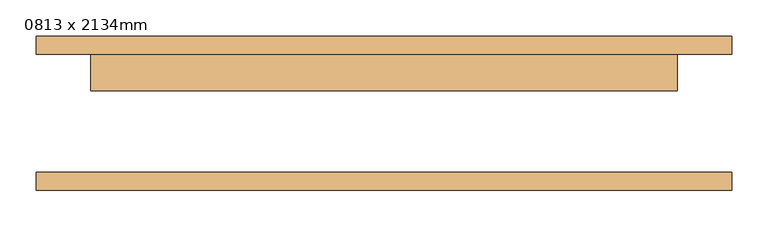
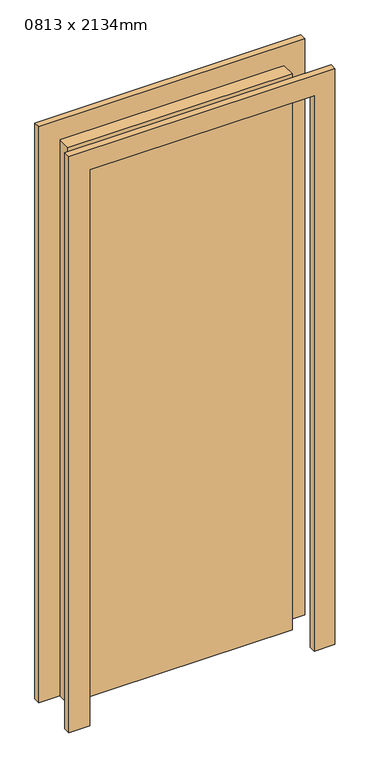
"""IFC4 building model written with IfcOpenShell, lengths in millimetres: door geometry, 0813 x 2134mm."""

import ifcopenshell
import ifcopenshell.guid

model = None  # the IFC model being written
_history = None  # IfcOwnerHistory: only IFC2X3 demands one
_inside = {}  # id of a spatial element -> (the spatial element, [elements in it])
_under = {}  # id of a project, library or spatial element -> (it, [spatial elements below it])
_declared = {}  # id of a project -> (the project, [libraries it declares])
_typed = {}  # id of a type object -> (the type object, [elements of that type])
_made_of = {}  # id of a material, layer set ... -> (it, [elements and type objects made of it])


def new_model(schema):
    """Start an empty IFC model of exactly this schema.

    Asked for "IFC4X3", IfcOpenShell would pick the latest addendum, in which some entities
    have other attributes; the version numbers below select the first issue.
    IFC2X3 requires an IfcOwnerHistory on every rooted entity: one is made here for all.
    """
    global model, _history
    if schema == "IFC4X3":
        model = ifcopenshell.file(schema_version=(4, 3, 0, 0))
    else:
        model = ifcopenshell.file(schema=schema)
    _inside.clear()
    _under.clear()
    _declared.clear()
    _typed.clear()
    _made_of.clear()
    _history = None
    if model.schema == "IFC2X3":
        org = make("IfcOrganization", Name="unknown")
        user = make(
            "IfcPersonAndOrganization",
            ThePerson=make("IfcPerson", FamilyName="unknown"),
            TheOrganization=org,
        )
        app = make(
            "IfcApplication",
            ApplicationDeveloper=org,
            Version="unknown",
            ApplicationFullName="unknown",
            ApplicationIdentifier="unknown",
        )
        _history = make(
            "IfcOwnerHistory",
            OwningUser=user,
            OwningApplication=app,
            ChangeAction="ADDED",
            CreationDate=0,
        )
    return model


def make(cls, **values):
    """One entity of the class cls with the attributes given. An attribute that is None is left unset."""
    return model.create_entity(
        cls, **{name: value for name, value in values.items() if value is not None}
    )


def rooted(cls, **values):
    """An entity with a GlobalId (a new one), such as an element, a storey or a relation."""
    return make(cls, GlobalId=ifcopenshell.guid.new(), OwnerHistory=_history, **values)


def si_unit(unit_type, name, prefix=None):
    """IfcSIUnit, for example si_unit("LENGTHUNIT", "METRE", prefix="MILLI")."""
    return make("IfcSIUnit", UnitType=unit_type, Prefix=prefix, Name=name)


def assignment(units):
    """IfcUnitAssignment: the units of a project."""
    return None if units is None else make("IfcUnitAssignment", Units=units)


def point(xyz):
    """IfcCartesianPoint."""
    return None if xyz is None else make("IfcCartesianPoint", Coordinates=xyz)


def direction(xyz):
    """IfcDirection."""
    return None if xyz is None else make("IfcDirection", DirectionRatios=xyz)


def frame(location, z_axis=None, x_axis=None):
    """IfcAxis2Placement3D, a coordinate frame: its origin and axes. An axis left out is left unset."""
    return make(
        "IfcAxis2Placement3D",
        Location=point(location),
        Axis=direction(z_axis),
        RefDirection=direction(x_axis),
    )


def origin():
    """The frame at (0, 0, 0) with its axes left unset."""
    return frame((0.0, 0.0, 0.0))


def origin_with_axes():
    """The frame at (0, 0, 0) with the z axis (0, 0, 1) and the x axis (1, 0, 0) written out."""
    return frame((0.0, 0.0, 0.0), z_axis=(0.0, 0.0, 1.0), x_axis=(1.0, 0.0, 0.0))


def place(relative_to, where):
    """IfcLocalPlacement: puts the frame where relative to a parent placement (None: the world)."""
    return make(
        "IfcLocalPlacement", PlacementRelTo=relative_to, RelativePlacement=where
    )


def context(
    kind, dimensions, precision=None, world=None, true_north=None, identifier=None
):
    """IfcGeometricRepresentationContext, for example the 3D "Model" context."""
    return make(
        "IfcGeometricRepresentationContext",
        ContextIdentifier=identifier,
        ContextType=kind,
        CoordinateSpaceDimension=dimensions,
        Precision=precision,
        WorldCoordinateSystem=world,
        TrueNorth=true_north,
    )


def project(units=None, contexts=None):
    """IfcProject with its units and contexts."""
    return rooted(
        "IfcProject",
        Name="project",
        RepresentationContexts=contexts,
        UnitsInContext=assignment(units),
    )


def spatial(cls, under=None, at=None, **own):
    """A site, building, storey or space (cls), placed at a placement, below another one or the project."""
    s = rooted(cls, ObjectPlacement=at, **own)
    if under is not None:
        _under.setdefault(under.id(), (under, []))[1].append(s)
    return s


def polyline(points):
    """IfcPolyline through the points."""
    return make("IfcPolyline", Points=[point(p) for p in points])


def outline(outer, holes=None, kind="AREA"):
    """IfcArbitraryClosedProfileDef: a profile drawn as a closed curve; with holes, ...WithVoids."""
    if holes is None:
        return make("IfcArbitraryClosedProfileDef", ProfileType=kind, OuterCurve=outer)
    return make(
        "IfcArbitraryProfileDefWithVoids",
        ProfileType=kind,
        OuterCurve=outer,
        InnerCurves=holes,
    )


def extrude(swept, where, along, depth):
    """IfcExtrudedAreaSolid: the profile swept, set in the frame where, extruded along a direction by depth."""
    return make(
        "IfcExtrudedAreaSolid",
        SweptArea=swept,
        Position=where,
        ExtrudedDirection=direction(along),
        Depth=depth,
    )


def shape(context_of_items, identifier, shape_type, items):
    """IfcShapeRepresentation: the items that make up one representation, for example the "Body"."""
    return make(
        "IfcShapeRepresentation",
        ContextOfItems=context_of_items,
        RepresentationIdentifier=identifier,
        RepresentationType=shape_type,
        Items=items,
    )


def source(mapping_origin, context_of_items, identifier, shape_type, items):
    """IfcRepresentationMap: a shape defined once, which mapped items show again and again."""
    return make(
        "IfcRepresentationMap",
        MappingOrigin=mapping_origin,
        MappedRepresentation=shape(context_of_items, identifier, shape_type, items),
    )


def transform(
    local_origin,
    x_axis=None,
    y_axis=None,
    z_axis=None,
    scale=None,
    scale2=None,
    scale3=None,
    uniform=True,
):
    """IfcCartesianTransformationOperator3D, or its non-uniform kind. x_axis, y_axis, z_axis: its Axis1, 2, 3."""
    if uniform:
        return make(
            "IfcCartesianTransformationOperator3D",
            Axis1=direction(x_axis),
            Axis2=direction(y_axis),
            LocalOrigin=point(local_origin),
            Scale=scale,
            Axis3=direction(z_axis),
        )
    return make(
        "IfcCartesianTransformationOperator3DnonUniform",
        Axis1=direction(x_axis),
        Axis2=direction(y_axis),
        LocalOrigin=point(local_origin),
        Scale=scale,
        Axis3=direction(z_axis),
        Scale2=scale2,
        Scale3=scale3,
    )


def mapped(mapping_source, mapping_target):
    """IfcMappedItem: shows the shape of a source again, moved by a transform."""
    return make(
        "IfcMappedItem", MappingSource=mapping_source, MappingTarget=mapping_target
    )


def made_of(thing, what):
    """Note that an element or type object is made of a material, layer set ...; save() writes the relation."""
    if what is not None:
        _made_of.setdefault(what.id(), (what, []))[1].append(thing)
    return thing


def element(
    cls,
    number,
    at=None,
    inside=None,
    cuts=None,
    type_object=None,
    material=None,
    context=None,
    identifier="Body",
    shape_type=None,
    held_by="IfcProductDefinitionShape",
    body=None,
    shapes=None,
    **own,
):
    """One element of the class cls, such as IfcWall. Its Tag is "e" and its number.

    at: its placement. inside: the storey or other place that contains it. cuts: it is an
    opening in that element (IfcRelVoidsElement). A single representation is given by context,
    identifier, shape_type and body (its items); several are given by shapes. held_by: the class
    of the entity that holds the representations. save() writes the other relations.
    """
    e = rooted(cls, Tag="e%d" % number, ObjectPlacement=at, **own)
    if body is not None:
        shapes = [shape(context, identifier, shape_type, body)]
    if shapes is not None:
        e.Representation = make(held_by, Representations=shapes)
    if inside is not None:
        _inside.setdefault(inside.id(), (inside, []))[1].append(e)
    if cuts is not None:
        rooted(
            "IfcRelVoidsElement", RelatingBuildingElement=cuts, RelatedOpeningElement=e
        )
    if type_object is not None:
        _typed.setdefault(type_object.id(), (type_object, []))[1].append(e)
    return made_of(e, material)


def aggregate(whole, parts):
    """IfcRelAggregates: a whole, such as a stair, and the parts it consists of."""
    return rooted("IfcRelAggregates", RelatingObject=whole, RelatedObjects=parts)


def save(model, path):
    """Write the relations noted so far, then the file.

    IfcRelAggregates (storeys below a building ...), IfcRelContainedInSpatialStructure (elements
    in a storey), IfcRelDefinesByType, IfcRelAssociatesMaterial and IfcRelDeclares: one each for
    every whole, place, type object, material and project.
    """
    for whole, parts in _under.values():
        aggregate(whole, parts)
    for where, things in _inside.values():
        rooted(
            "IfcRelContainedInSpatialStructure",
            RelatedElements=things,
            RelatingStructure=where,
        )
    for kind, things in _typed.values():
        rooted("IfcRelDefinesByType", RelatedObjects=things, RelatingType=kind)
    for what, things in _made_of.values():
        rooted("IfcRelAssociatesMaterial", RelatedObjects=things, RelatingMaterial=what)
    for by, libraries in _declared.values():
        rooted("IfcRelDeclares", RelatingContext=by, RelatedDefinitions=libraries)
    model.write(path)


def door_0813_x_2134mm_a04f147b(model_context):
    return source(origin(), model_context, "Body", "SweptSolid", [
        extrude(outline(polyline([(2210.0, -482.5), (0.0, -482.5), (0.0, -406.5), (2134.0, -406.5), (2134.0, 406.5), (0.0, 406.5), (0.0, 482.5), (2210.0, 482.5), (2210.0, -482.5)])), frame((0.0, 82.0, 0.0), z_axis=(0.0, 1.0, 0.0), x_axis=(0.0, 0.0, 1.0)), (0.0, 0.0, 1.0), 25.0),
        extrude(outline(polyline([(2210.0, 482.5), (2210.0, -482.5), (0.0, -482.5), (0.0, -406.5), (2134.0, -406.5), (2134.0, 406.5), (0.0, 406.5), (0.0, 482.5), (2210.0, 482.5)])), frame((0.0, -107.0, 0.0), z_axis=(0.0, 1.0, 0.0), x_axis=(0.0, 0.0, 1.0)), (0.0, 0.0, 1.0), 25.0),
        extrude(outline(polyline([(406.5, 31.0), (-406.5, 31.0), (-406.5, 82.0), (406.5, 82.0), (406.5, 31.0)])), origin_with_axes(), (0.0, 0.0, 1.0), 2134.0),
    ])


if __name__ == "__main__":
    model = new_model("IFC4")
    model_context = context("Model", 3, world=origin())
    ifc_project = project(units=[si_unit("LENGTHUNIT", "METRE", prefix="MILLI")], contexts=[model_context])
    site = spatial("IfcSite", under=ifc_project)
    building = spatial("IfcBuilding", under=site)
    placement = place(None, origin())
    door_0813_x_2134mm_shape = door_0813_x_2134mm_a04f147b(model_context)
    element("IfcDoor", 1, ObjectType="0813 x 2134mm", at=placement, inside=building, context=model_context, shape_type="MappedRepresentation", body=[
        mapped(door_0813_x_2134mm_shape, transform((0.0, 0.0, 0.0), x_axis=(1.0, 0.0, 0.0), y_axis=(0.0, 1.0, 0.0), z_axis=(0.0, 0.0, 1.0))),
    ])
    save(model, "model.ifc")
